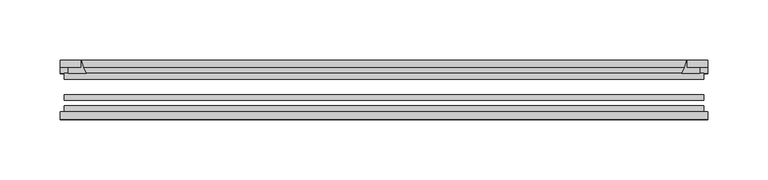
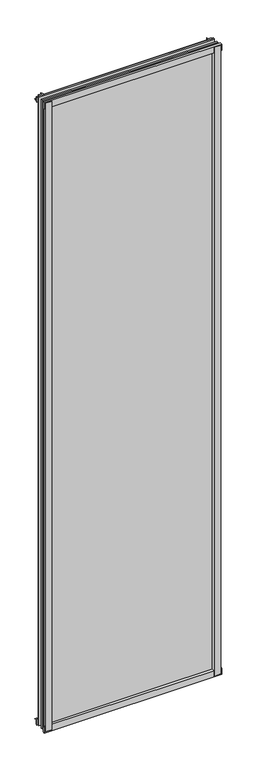
"""IFC4 building model written with IfcOpenShell, lengths in millimetres: plate geometry."""

from ifc_helpers import new_model, si_unit, point, frame, frame_2d, origin, place, context, project, spatial, polyline, circle_curve, trimmed, segment, composite_curve, outline, extrude, source, transform, mapped, element, save


def plate_b69a9630(model_context):
    return source(origin(), model_context, "Body", "SweptSolid", [
        extrude(outline(composite_curve([segment(polyline([(-265.1125, -78.7828625), (-243.6912987, -78.7828625)]), True, "CONTINUOUS"), segment(trimmed(circle_curve(frame_2d((-236.0541331, -84.652782)), 9.6323545), [point((-243.6912987, -78.7828625))], [point((-245.6745165, -85.1328625))], True, "CARTESIAN"), True, "CONTINUOUS"), segment(polyline([(-245.6745165, -85.1328625), (-265.1125, -85.1328625), (-265.1125, -78.7828625)]), True, "CONTINUOUS")], self_intersect=False)), frame((0.0, 0.0, -14.2875), z_axis=(0.0, 0.0, 1.0), x_axis=(1.0, 0.0, 0.0)), (0.0, 0.0, 1.0), 2009.775),
        extrude(outline(composite_curve([segment(polyline([(265.1544065, -78.7828625), (265.1544065, -85.1328625), (245.6745165, -85.1328625)]), True, "CONTINUOUS"), segment(trimmed(circle_curve(frame_2d((236.0541331, -84.652782)), 9.6323545), [point((245.6745165, -85.1328625))], [point((243.6912987, -78.7828625))], True, "CARTESIAN"), True, "CONTINUOUS"), segment(polyline([(243.6912987, -78.7828625), (265.1544065, -78.7828625)]), True, "CONTINUOUS")], self_intersect=False)), frame((0.0, 0.0, -14.2875), z_axis=(0.0, 0.0, 1.0), x_axis=(1.0, 0.0, 0.0)), (0.0, 0.0, 1.0), 2009.775),
        extrude(outline(composite_curve([segment(polyline([(-47.1852625, -14.2875), (-47.1852625, 3.9588469)]), True, "CONTINUOUS"), segment(trimmed(circle_curve(frame_2d((-30.6824422, 32.267054)), 32.7673262), [point((-47.1852625, 3.9588469))], [point((-36.3503395, -0.00635))], True, "CARTESIAN"), True, "CONTINUOUS"), segment(polyline([(-36.3503395, -0.00635), (-42.2830625, -0.00635), (-42.2830625, -14.2875), (-47.1852625, -14.2875)]), True, "CONTINUOUS")], self_intersect=False)), frame((-268.2875, 0.0, 0.0), z_axis=(1.0, 0.0, 0.0), x_axis=(0.0, 1.0, 0.0)), (0.0, 0.0, 1.0), 536.575),
        extrude(outline(composite_curve([segment(polyline([(-78.7828625, -16.8821065), (-85.1328625, -16.8821065), (-85.1328625, 2.5977835)]), True, "CONTINUOUS"), segment(trimmed(circle_curve(frame_2d((-84.652782, 12.2181669)), 9.6323545), [point((-85.1328625, 2.5977835))], [point((-78.7828625, 4.5810013))], True, "CARTESIAN"), True, "CONTINUOUS"), segment(polyline([(-78.7828625, 4.5810013), (-78.7828625, -16.8821065)]), True, "CONTINUOUS")], self_intersect=False)), frame((-268.2875, 0.0, 0.0), z_axis=(1.0, 0.0, 0.0), x_axis=(0.0, 1.0, 0.0)), (0.0, 0.0, 1.0), 536.575),
        extrude(outline(composite_curve([segment(polyline([(-47.1852625, 1977.2284531), (-47.1852625, 1991.9002564), (-42.2830625, 1991.9002564), (-42.2830625, 1981.2), (-36.3140625, 1981.2)]), True, "CONTINUOUS"), segment(trimmed(circle_curve(frame_2d((-30.6824422, 1948.920246)), 32.7673262), [point((-36.3140625, 1981.2))], [point((-47.1852625, 1977.2284531))], True, "CARTESIAN"), True, "CONTINUOUS")], self_intersect=False)), frame((-268.2875, 0.0, 0.0), z_axis=(1.0, 0.0, 0.0), x_axis=(0.0, 1.0, 0.0)), (0.0, 0.0, 1.0), 536.575),
        extrude(outline(composite_curve([segment(polyline([(-78.7828625, 1998.0694065), (-78.7828625, 1976.6062987)]), True, "CONTINUOUS"), segment(trimmed(circle_curve(frame_2d((-84.652782, 1968.9691331)), 9.6323545), [point((-78.7828625, 1976.6062987))], [point((-85.1328625, 1978.5895165))], True, "CARTESIAN"), True, "CONTINUOUS"), segment(polyline([(-85.1328625, 1978.5895165), (-85.1328625, 1998.0694065), (-78.7828625, 1998.0694065)]), True, "CONTINUOUS")], self_intersect=False)), frame((-268.2875, 0.0, 0.0), z_axis=(1.0, 0.0, 0.0), x_axis=(0.0, 1.0, 0.0)), (0.0, 0.0, 1.0), 536.575),
        extrude(outline(composite_curve([segment(trimmed(circle_curve(frame_2d((218.545246, -30.6824422)), 32.7673262), [point((246.8534531, -47.1852625))], [point((250.825, -36.3140625))], True, "CARTESIAN"), True, "CONTINUOUS"), segment(polyline([(250.825, -36.3140625), (250.825, -42.2830625), (261.5253653, -42.2830625), (261.5253653, -47.1852625), (246.8534531, -47.1852625)]), True, "CONTINUOUS")], self_intersect=False)), frame((0.0, 0.0, -14.2875), z_axis=(0.0, 0.0, 1.0), x_axis=(1.0, 0.0, 0.0)), (0.0, 0.0, 1.0), 2009.775),
        extrude(outline(composite_curve([segment(polyline([(-246.8534531, -47.1852625), (-261.5202092, -47.1852625), (-261.5202092, -42.2830625), (-250.825, -42.2830625), (-250.825, -36.3140625)]), True, "CONTINUOUS"), segment(trimmed(circle_curve(frame_2d((-218.545246, -30.6824422)), 32.7673262), [point((-250.825, -36.3140625))], [point((-246.8534531, -47.1852625))], True, "CARTESIAN"), True, "CONTINUOUS")], self_intersect=False)), frame((0.0, 0.0, -14.2875), z_axis=(0.0, 0.0, 1.0), x_axis=(1.0, 0.0, 0.0)), (0.0, 0.0, 1.0), 2009.775),
        extrude(outline(polyline([(265.1125, -64.6604625), (265.1125, -69.4356625), (-265.1125, -69.4356625), (-265.1125, -64.6604625), (265.1125, -64.6604625)])), frame((0.0, 0.0, -14.2875), z_axis=(0.0, 0.0, 1.0), x_axis=(1.0, 0.0, 0.0)), (0.0, 0.0, 1.0), 2009.775),
        extrude(outline(polyline([(-265.1125, -78.7828625), (-265.1125, -74.0076625), (265.1125, -74.0076625), (265.1125, -78.7828625), (-265.1125, -78.7828625)])), frame((0.0, 0.0, -14.2875), z_axis=(0.0, 0.0, 1.0), x_axis=(1.0, 0.0, 0.0)), (0.0, 0.0, 1.0), 2009.775),
        extrude(outline(polyline([(-265.1125, -47.1852625), (265.1125, -47.1852625), (265.1125, -51.9604625), (-265.1125, -51.9604625), (-265.1125, -47.1852625)])), frame((0.0, 0.0, -14.2875), z_axis=(0.0, 0.0, 1.0), x_axis=(1.0, 0.0, 0.0)), (0.0, 0.0, 1.0), 2009.775),
    ])


if __name__ == "__main__":
    model = new_model("IFC4")
    model_context = context("Model", 3, world=origin())
    ifc_project = project(units=[si_unit("LENGTHUNIT", "METRE", prefix="MILLI")], contexts=[model_context])
    site = spatial("IfcSite", under=ifc_project)
    building = spatial("IfcBuilding", under=site)
    placement = place(None, origin())
    plate_shape = plate_b69a9630(model_context)
    element("IfcPlate", 1, at=placement, inside=building, context=model_context, shape_type="MappedRepresentation", body=[
        mapped(plate_shape, transform((0.0, 0.0, 0.0), x_axis=(1.0, 0.0, 0.0), y_axis=(0.0, 1.0, 0.0), z_axis=(0.0, 0.0, 1.0))),
    ])
    save(model, "model.ifc")
